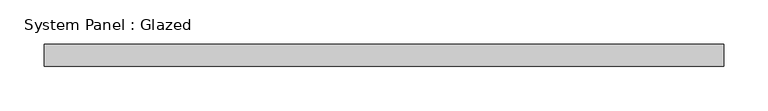
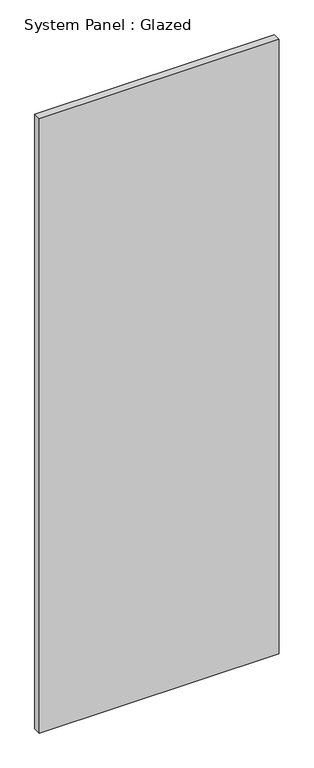
"""IFC4 building model written with IfcOpenShell, lengths in millimetres: plate geometry, System Panel : Glazed."""

from ifc_helpers import new_model, si_unit, origin, origin_with_axes, place, context, project, spatial, polyline, outline, extrude, source, transform, mapped, element, save


def system_panel_glazed_ff9ec5c3(model_context):
    return source(origin(), model_context, "Body", "SweptSolid", [
        extrude(outline(polyline([(385.738147, -12.7), (-385.738147, -12.7), (-385.738147, 12.7), (385.738147, 12.7), (385.738147, -12.7)])), origin_with_axes(), (0.0, 0.0, 1.0), 2088.65),
    ])


if __name__ == "__main__":
    model = new_model("IFC4")
    model_context = context("Model", 3, world=origin())
    ifc_project = project(units=[si_unit("LENGTHUNIT", "METRE", prefix="MILLI")], contexts=[model_context])
    site = spatial("IfcSite", under=ifc_project)
    building = spatial("IfcBuilding", under=site)
    placement = place(None, origin())
    system_panel_glazed_shape = system_panel_glazed_ff9ec5c3(model_context)
    element("IfcPlate", 1, ObjectType="System Panel : Glazed", at=placement, inside=building, context=model_context, shape_type="MappedRepresentation", body=[
        mapped(system_panel_glazed_shape, transform((0.0, 0.0, 0.0), x_axis=(1.0, 0.0, 0.0), y_axis=(0.0, 1.0, 0.0), z_axis=(0.0, 0.0, 1.0))),
    ])
    save(model, "model.ifc")
